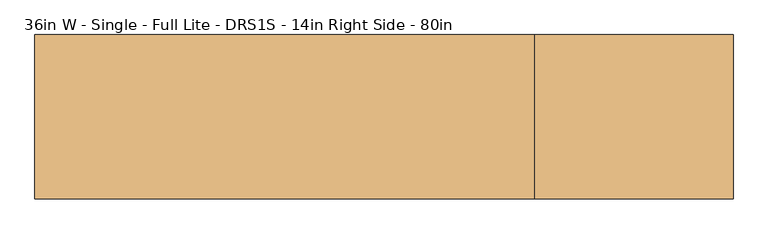
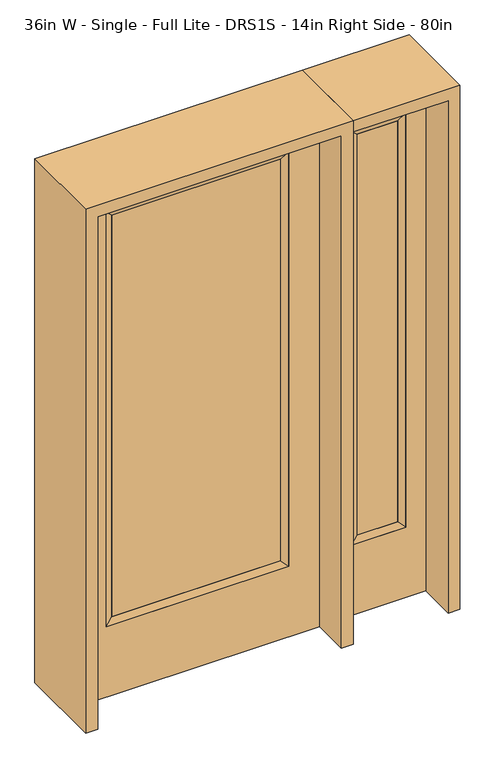
"""IFC4 building model written with IfcOpenShell, lengths in millimetres: door geometry, 36in W - Single - Full Lite - DRS1S - 14in Right Side - 80in."""

from ifc_helpers import new_model, si_unit, frame, origin, place, context, project, spatial, polyline, outline, extrude, faceted_brep, source, transform, mapped, element, save


def door_36in_w_single_full_lite_drs1s_14in_right_side_80in_a6620fa4(model_context):
    return source(origin(), model_context, "Body", "SolidModel", [
        extrude(outline(polyline([(316.3824, -12.7039749), (-316.3824, -12.7039749), (-316.3824, 14.2875), (316.3824, 14.2875), (316.3824, -12.7039749)])), frame((0.0, 0.0, 304.8), z_axis=(0.0, 0.0, 1.0), x_axis=(1.0, 0.0, 0.0)), (0.0, 0.0, 1.0), 1591.1576),
        faceted_brep([(316.3824, 14.2875, 1895.9576), (341.7824, 22.225, 1921.3576), (341.7824, 22.225, 279.4), (316.3824, 14.2875, 304.8), (341.7824, -22.225, 1921.3576), (341.7824, -22.225, 279.4), (-341.7824, 22.225, 279.4), (-316.3824, 14.2875, 304.8), (316.3824, -12.7039749, 1895.9576), (316.3824, -12.7039749, 304.8), (-316.3824, -12.7039749, 304.8), (-341.7824, -22.225, 279.4), (-341.7824, 22.225, 1921.3576), (-316.3824, 14.2875, 1895.9576), (-316.3824, -12.7039749, 1895.9576), (-341.7824, -22.225, 1921.3576)], [[[0, 1, 2, 3]], [[1, 4, 5, 2]], [[3, 2, 6, 7]], [[8, 0, 3, 9]], [[9, 3, 7, 10]], [[4, 8, 9, 5]], [[5, 9, 10, 11]], [[2, 5, 11, 6]], [[7, 6, 12, 13]], [[10, 7, 13, 14]], [[11, 10, 14, 15]], [[6, 11, 15, 12]], [[13, 12, 1, 0]], [[14, 13, 0, 8]], [[15, 14, 8, 4]], [[12, 15, 4, 1]]]),
        extrude(outline(polyline([(0.0, -457.2), (0.0, 457.2), (2032.0, 457.2), (2032.0, -457.2), (0.0, -457.2)]), holes=[polyline([(279.4, -341.7824), (1921.3576, -341.7824), (1921.3576, 341.7824), (279.4, 341.7824), (279.4, -341.7824)])]), frame((0.0, -22.225, 0.0), z_axis=(0.0, 1.0, 0.0), x_axis=(0.0, 0.0, 1.0)), (0.0, 0.0, 1.0), 44.45),
        faceted_brep([(577.85, 20.6375, 1920.875), (577.85, 20.6375, 279.4), (577.85, -20.6375, 279.4), (577.85, -20.6375, 1920.875), (603.25, -12.7, 304.8), (603.25, -12.7, 1895.475), (781.05, 20.6375, 279.4), (781.05, -20.6375, 279.4), (603.25, 12.7, 1895.475), (603.25, 12.7, 304.8), (755.65, 12.7, 304.8), (755.65, -12.7, 304.8), (781.05, 20.6375, 1920.875), (781.05, -20.6375, 1920.875), (755.65, 12.7, 1895.475), (755.65, -12.7, 1895.475)], [[[0, 1, 2, 3]], [[3, 2, 4, 5]], [[1, 6, 7, 2]], [[8, 9, 1, 0]], [[9, 10, 6, 1]], [[5, 4, 9, 8]], [[4, 11, 10, 9]], [[2, 7, 11, 4]], [[6, 12, 13, 7]], [[10, 14, 12, 6]], [[11, 15, 14, 10]], [[7, 13, 15, 11]], [[12, 0, 3, 13]], [[14, 8, 0, 12]], [[15, 5, 8, 14]], [[13, 3, 5, 15]]]),
        extrude(outline(polyline([(0.0, 857.25), (2032.0, 857.25), (2032.0, 501.65), (0.0, 501.65), (0.0, 857.25)]), holes=[polyline([(1920.875, 577.85), (1920.875, 781.05), (279.4, 781.05), (279.4, 577.85), (1920.875, 577.85)])]), frame((0.0, -20.6375, 0.0), z_axis=(0.0, 1.0, 0.0), x_axis=(0.0, 0.0, 1.0)), (0.0, 0.0, 1.0), 41.275),
        extrude(outline(polyline([(603.25, -12.7), (603.25, 12.7), (755.65, 12.7), (755.65, -12.7), (603.25, -12.7)])), frame((0.0, 0.0, 304.8), z_axis=(0.0, 0.0, 1.0), x_axis=(1.0, 0.0, 0.0)), (0.0, 0.0, 1.0), 1590.675),
        extrude(outline(polyline([(2076.45, -501.65), (0.0, -501.65), (0.0, -457.2), (2032.0, -457.2), (2032.0, 457.2), (0.0, 457.2), (0.0, 501.65), (2076.45, 501.65), (2076.45, -501.65)])), frame((0.0, -165.1, 0.0), z_axis=(0.0, 1.0, 0.0), x_axis=(0.0, 0.0, 1.0)), (0.0, 0.0, 1.0), 330.2),
        extrude(outline(polyline([(0.0, 857.25), (0.0, 901.7), (2076.45, 901.7), (2076.45, 501.65), (2032.0, 501.65), (2032.0, 857.25), (0.0, 857.25)])), frame((0.0, -165.1, 0.0), z_axis=(0.0, 1.0, 0.0), x_axis=(0.0, 0.0, 1.0)), (0.0, 0.0, 1.0), 330.2),
    ])


if __name__ == "__main__":
    model = new_model("IFC4")
    model_context = context("Model", 3, world=origin())
    ifc_project = project(units=[si_unit("LENGTHUNIT", "METRE", prefix="MILLI")], contexts=[model_context])
    site = spatial("IfcSite", under=ifc_project)
    building = spatial("IfcBuilding", under=site)
    placement = place(None, origin())
    door_36in_w_single_full_lite_drs1s_14in_right_side_80in_shape = door_36in_w_single_full_lite_drs1s_14in_right_side_80in_a6620fa4(model_context)
    element("IfcDoor", 1, ObjectType="36in W - Single - Full Lite - DRS1S - 14in Right Side - 80in", at=placement, inside=building, context=model_context, shape_type="MappedRepresentation", body=[
        mapped(door_36in_w_single_full_lite_drs1s_14in_right_side_80in_shape, transform((0.0, 0.0, 0.0), x_axis=(1.0, 0.0, 0.0), y_axis=(0.0, 1.0, 0.0), z_axis=(0.0, 0.0, 1.0))),
    ])
    save(model, "model.ifc")
